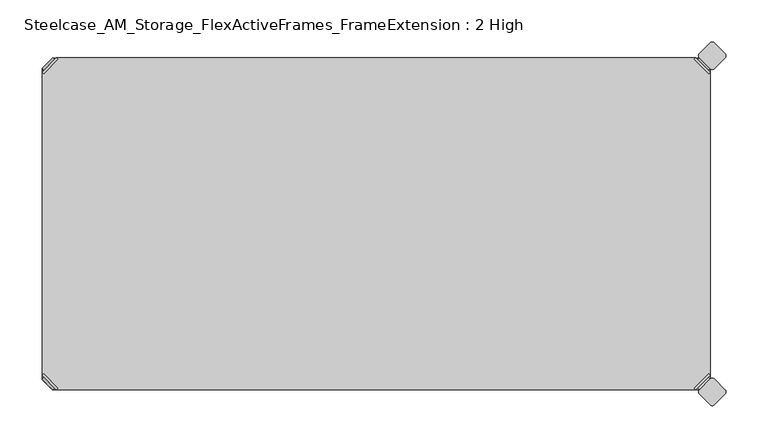
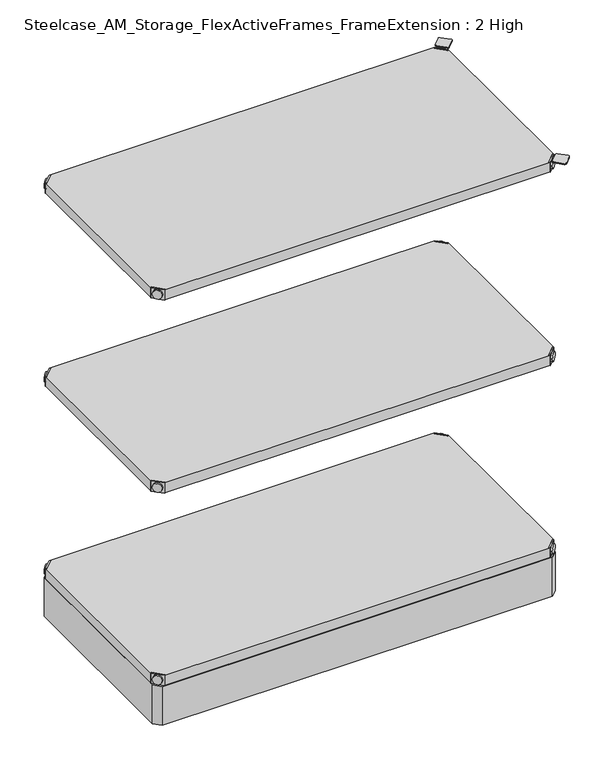
"""IFC4 building model written with IfcOpenShell, lengths in millimetres: furniture geometry, Steelcase_AM_Storage_FlexActiveFrames_FrameExtension : 2 High."""

from ifc_helpers import new_model, si_unit, point, frame, frame_2d, origin, place, context, project, spatial, polyline, circle_curve, trimmed, segment, composite_curve, outline, extrude, source, transform, mapped, element, save
from ifc_brep_helpers import plane_surface, cylinder_surface, advanced_brep


def steelcase_am_storage_flexactiveframes_frameextension_2_high_1ae15618(model_context):
    return source(origin(), model_context, "Body", "SolidModel", [
        advanced_brep(
        [(2.54, -380.2870969, 520.2936), (19.7629031, -397.51, 520.2936), (21.5589544, -395.7139488, 520.2936), (4.3360512, -378.4910456, 520.2936), (2.54, -380.2870969, 498.9576), (19.7629031, -397.51, 498.9576), (4.8652723, -382.6123691, 510.1336), (17.4376309, -395.1847277, 510.1336), (30.2920522, -352.5350447, 499.9736), (4.3360512, -378.4910456, 499.9736), (21.5589544, -395.7139488, 499.9736), (47.5149553, -369.7579478, 499.9736), (30.2920522, -352.5350447, 498.9576), (47.5149553, -369.7579478, 498.9576), (15.1227513, -397.4996073, 510.1336), (2.5503927, -384.9272487, 510.1336)],
        [
            (0, 1),
            (1, 2),
            (2, 3),
            (3, 0),
            (0, 4),
            (4, 5),
            (5, 1),
            (6, 7, circle_curve(frame((11.1514516, -388.8985484, 510.1336), z_axis=(0.7071067811865446, 0.7071067811865505, 0.0), x_axis=(-0.7071067811865505, 0.7071067811865446, 0.0)), 8.89)),
            (7, 6, circle_curve(frame((11.1514516, -388.8985484, 510.1336), z_axis=(0.7071067811865446, 0.7071067811865505, 0.0), x_axis=(-0.7071067811865505, 0.7071067811865446, 0.0)), 8.89)),
            (8, 9),
            (9, 10),
            (10, 11),
            (11, 8, circle_curve(frame((38.9035037, -361.1464963, 499.9736), z_axis=(0.0, 0.0, 1.0), x_axis=(1.0, 0.0, 0.0)), 12.1784316)),
            (12, 13, circle_curve(frame((38.9035037, -361.1464963, 498.9576), z_axis=(0.0, 0.0, -1.0), x_axis=(1.0, 0.0, 0.0)), 12.1784316)),
            (13, 5),
            (4, 12),
            (14, 15, circle_curve(frame((8.836572, -391.213428, 510.1336), z_axis=(-0.7071067811865446, -0.7071067811865505, 0.0), x_axis=(-0.7071067811865505, 0.7071067811865446, 0.0)), 8.89)),
            (15, 14, circle_curve(frame((8.836572, -391.213428, 510.1336), z_axis=(-0.7071067811865446, -0.7071067811865505, 0.0), x_axis=(-0.7071067811865505, 0.7071067811865446, 0.0)), 8.89)),
            (15, 6),
            (7, 14),
            (2, 10),
            (9, 3),
            (11, 13),
            (12, 8),
        ],
        [
            plane_surface(frame((-19.6579872, -402.485084, 520.2936), z_axis=(0.0, 0.0, 1.0000000000000002), x_axis=(0.7071067811865436, 0.7071067811865516, 0.0))),
            plane_surface(frame((19.7629031, -397.51, 520.2936), z_axis=(-0.7071067811865447, -0.7071067811865503, 0.0), x_axis=(0.0, 0.0, -1.0))),
            plane_surface(frame((51.0819353, -361.1464963, 499.9736), z_axis=(0.0, 0.0, 1.0), x_axis=(0.0, -1.0, 0.0))),
            plane_surface(frame((51.0819353, -361.1464963, 498.9576), z_axis=(0.0, 0.0, -1.0), x_axis=(0.0, 1.0, 0.0))),
            plane_surface(frame((2.5503927, -384.9272487, 510.1336), z_axis=(-0.7071067811865446, -0.7071067811865505, 0.0), x_axis=(0.0, 0.0, 1.0))),
            cylinder_surface(frame((11.1514516, -388.8985484, 510.1336), z_axis=(-0.7071067811865446, -0.7071067811865505, 0.0), x_axis=(-0.7071067811865505, 0.7071067811865446, 0.0)), 8.89),
            plane_surface(frame((4.3360512, -378.4910456, 520.2936), z_axis=(0.7071067811865447, 0.7071067811865503, 0.0), x_axis=(0.0, 0.0, -1.0))),
            cylinder_surface(frame((38.9035037, -361.1464963, 498.9576), z_axis=(0.0, 0.0, 1.0), x_axis=(1.0, 0.0, 0.0)), 12.1784316),
            plane_surface(frame((2.54, -380.2870969, 520.2936), z_axis=(-0.7071067811865516, 0.7071067811865436, 0.0), x_axis=(0.0, 0.0, -1.0))),
            plane_surface(frame((21.5589544, -395.7139488, 520.2936), z_axis=(0.7071067811865513, -0.7071067811865437, 0.0), x_axis=(0.0, 0.0, -1.0))),
        ],
        [
            (0, [[1, 2, 3, 4]]),
            (1, [[5, 6, 7, -1], [8, 9]]),
            (2, [[10, 11, 12, 13]]),
            (3, [[14, 15, -6, 16]]),
            (4, [[17, 18]]),
            (5, [[19, -9, 20, -18]]),
            (5, [[-20, -8, -19, -17]]),
            (6, [[21, -11, 22, -3]]),
            (7, [[23, -14, 24, -13]]),
            (8, [[-22, -10, -24, -16, -5, -4]]),
            (9, [[-7, -15, -23, -12, -21, -2]]),
        ],
    ),
        advanced_brep(
        [(797.56, -380.2870969, 520.2936), (795.7639488, -378.4910456, 520.2936), (778.5410456, -395.7139488, 520.2936), (780.3370969, -397.51, 520.2936), (780.3370969, -397.51, 498.9576), (797.56, -380.2870969, 498.9576), (795.2347277, -382.6123691, 510.1336), (782.6623691, -395.1847277, 510.1336), (769.8079478, -352.5350447, 499.9736), (752.5850447, -369.7579478, 499.9736), (778.5410456, -395.7139488, 499.9736), (795.7639488, -378.4910456, 499.9736), (769.8079478, -352.5350447, 498.9576), (752.5850447, -369.7579478, 498.9576), (784.9772487, -397.4996073, 510.1336), (797.5496073, -384.9272487, 510.1336)],
        [
            (0, 1),
            (1, 2),
            (2, 3),
            (3, 0),
            (3, 4),
            (4, 5),
            (5, 0),
            (6, 7, circle_curve(frame((788.9485484, -388.8985484, 510.1336), z_axis=(-0.7071067811865446, 0.7071067811865505, 0.0), x_axis=(0.7071067811865505, 0.7071067811865446, 0.0)), 8.89)),
            (7, 6, circle_curve(frame((788.9485484, -388.8985484, 510.1336), z_axis=(-0.7071067811865446, 0.7071067811865505, 0.0), x_axis=(0.7071067811865505, 0.7071067811865446, 0.0)), 8.89)),
            (8, 9, circle_curve(frame((761.1964963, -361.1464963, 499.9736), z_axis=(0.0, 0.0, 1.0), x_axis=(-1.0, 0.0, 0.0)), 12.1784316)),
            (9, 10),
            (10, 11),
            (11, 8),
            (12, 5),
            (4, 13),
            (13, 12, circle_curve(frame((761.1964963, -361.1464963, 498.9576), z_axis=(0.0, 0.0, -1.0), x_axis=(-1.0, 0.0, 0.0)), 12.1784316)),
            (14, 15, circle_curve(frame((791.263428, -391.213428, 510.1336), z_axis=(0.7071067811865446, -0.7071067811865505, 0.0), x_axis=(0.7071067811865505, 0.7071067811865446, 0.0)), 8.89)),
            (15, 14, circle_curve(frame((791.263428, -391.213428, 510.1336), z_axis=(0.7071067811865446, -0.7071067811865505, 0.0), x_axis=(0.7071067811865505, 0.7071067811865446, 0.0)), 8.89)),
            (14, 7),
            (6, 15),
            (1, 11),
            (10, 2),
            (8, 12),
            (13, 9),
        ],
        [
            plane_surface(frame((819.7579872, -402.485084, 520.2936), z_axis=(0.0, 0.0, 1.0000000000000002), x_axis=(-0.7071067811865436, 0.7071067811865516, 0.0))),
            plane_surface(frame((780.3370969, -397.51, 520.2936), z_axis=(0.7071067811865447, -0.7071067811865503, 0.0), x_axis=(0.0, 0.0, -1.0))),
            plane_surface(frame((749.0180647, -361.1464963, 499.9736), z_axis=(0.0, 0.0, 1.0), x_axis=(0.0, -1.0, 0.0))),
            plane_surface(frame((749.0180647, -361.1464963, 498.9576), z_axis=(0.0, 0.0, -1.0), x_axis=(0.0, 1.0, 0.0))),
            plane_surface(frame((797.5496073, -384.9272487, 510.1336), z_axis=(0.7071067811865446, -0.7071067811865505, 0.0), x_axis=(0.0, 0.0, 1.0))),
            cylinder_surface(frame((788.9485484, -388.8985484, 510.1336), z_axis=(0.7071067811865446, -0.7071067811865505, 0.0), x_axis=(0.7071067811865505, 0.7071067811865446, 0.0)), 8.89),
            plane_surface(frame((795.7639488, -378.4910456, 520.2936), z_axis=(-0.7071067811865447, 0.7071067811865503, 0.0), x_axis=(0.0, 0.0, -1.0))),
            cylinder_surface(frame((761.1964963, -361.1464963, 498.9576), z_axis=(0.0, 0.0, 1.0), x_axis=(-1.0, 0.0, 0.0)), 12.1784316),
            plane_surface(frame((797.56, -380.2870969, 520.2936), z_axis=(0.7071067811865516, 0.7071067811865436, 0.0), x_axis=(0.0, 0.0, -1.0))),
            plane_surface(frame((778.5410456, -395.7139488, 520.2936), z_axis=(-0.7071067811865513, -0.7071067811865437, 0.0), x_axis=(0.0, 0.0, -1.0))),
        ],
        [
            (0, [[1, 2, 3, 4]]),
            (1, [[-4, 5, 6, 7], [8, 9]]),
            (2, [[10, 11, 12, 13]]),
            (3, [[14, -6, 15, 16]]),
            (4, [[17, 18]]),
            (5, [[-17, 19, -8, 20]]),
            (5, [[-18, -20, -9, -19]]),
            (6, [[-2, 21, -12, 22]]),
            (7, [[-10, 23, -16, 24]]),
            (8, [[-1, -7, -14, -23, -13, -21]]),
            (9, [[-3, -22, -11, -24, -15, -5]]),
        ],
    ),
        advanced_brep(
        [(797.56, -19.7629031, 520.2936), (780.3370969, -2.54, 520.2936), (778.5410456, -4.3360512, 520.2936), (795.7639488, -21.5589544, 520.2936), (797.56, -19.7629031, 498.9576), (780.3370969, -2.54, 498.9576), (795.2347277, -17.4376309, 510.1336), (782.6623691, -4.8652723, 510.1336), (769.8079478, -47.5149553, 499.9736), (795.7639488, -21.5589544, 499.9736), (778.5410456, -4.3360512, 499.9736), (752.5850447, -30.2920522, 499.9736), (769.8079478, -47.5149553, 498.9576), (752.5850447, -30.2920522, 498.9576), (784.9772487, -2.5503927, 510.1336), (797.5496073, -15.1227513, 510.1336)],
        [
            (0, 1),
            (1, 2),
            (2, 3),
            (3, 0),
            (0, 4),
            (4, 5),
            (5, 1),
            (6, 7, circle_curve(frame((788.9485484, -11.1514516, 510.1336), z_axis=(-0.7071067811865469, -0.7071067811865481, 0.0), x_axis=(0.7071067811865481, -0.7071067811865469, 0.0)), 8.89)),
            (7, 6, circle_curve(frame((788.9485484, -11.1514516, 510.1336), z_axis=(-0.7071067811865469, -0.7071067811865481, 0.0), x_axis=(0.7071067811865481, -0.7071067811865469, 0.0)), 8.89)),
            (8, 9),
            (9, 10),
            (10, 11),
            (11, 8, circle_curve(frame((761.1964963, -38.9035037, 499.9736), z_axis=(0.0, 0.0, 1.0), x_axis=(-1.0, 0.0, 0.0)), 12.1784316)),
            (12, 13, circle_curve(frame((761.1964963, -38.9035037, 498.9576), z_axis=(0.0, 0.0, -1.0), x_axis=(-1.0, 0.0, 0.0)), 12.1784316)),
            (13, 5),
            (4, 12),
            (14, 15, circle_curve(frame((791.263428, -8.836572, 510.1336), z_axis=(0.7071067811865469, 0.7071067811865481, 0.0), x_axis=(0.7071067811865481, -0.7071067811865469, 0.0)), 8.89)),
            (15, 14, circle_curve(frame((791.263428, -8.836572, 510.1336), z_axis=(0.7071067811865469, 0.7071067811865481, 0.0), x_axis=(0.7071067811865481, -0.7071067811865469, 0.0)), 8.89)),
            (15, 6),
            (7, 14),
            (2, 10),
            (9, 3),
            (11, 13),
            (12, 8),
        ],
        [
            plane_surface(frame((819.7579872, 2.435084, 520.2936), z_axis=(0.0, 0.0, 1.0000000000000002), x_axis=(-0.7071067811865459, -0.7071067811865492, 0.0))),
            plane_surface(frame((780.3370969, -2.54, 520.2936), z_axis=(0.707106781186547, 0.707106781186548, 0.0), x_axis=(0.0, 0.0, -1.0))),
            plane_surface(frame((749.0180647, -38.9035037, 499.9736), z_axis=(0.0, 0.0, 1.0), x_axis=(0.0, 1.0, 0.0))),
            plane_surface(frame((749.0180647, -38.9035037, 498.9576), z_axis=(0.0, 0.0, -1.0), x_axis=(0.0, -1.0, 0.0))),
            plane_surface(frame((797.5496073, -15.1227513, 510.1336), z_axis=(0.7071067811865469, 0.7071067811865481, 0.0), x_axis=(0.0, 0.0, 1.0))),
            cylinder_surface(frame((788.9485484, -11.1514516, 510.1336), z_axis=(0.7071067811865469, 0.7071067811865481, 0.0), x_axis=(0.7071067811865481, -0.7071067811865469, 0.0)), 8.89),
            plane_surface(frame((795.7639488, -21.5589544, 520.2936), z_axis=(-0.707106781186547, -0.707106781186548, 0.0), x_axis=(0.0, 0.0, -1.0))),
            cylinder_surface(frame((761.1964963, -38.9035037, 498.9576), z_axis=(0.0, 0.0, 1.0), x_axis=(-1.0, 0.0, 0.0)), 12.1784316),
            plane_surface(frame((797.56, -19.7629031, 520.2936), z_axis=(0.7071067811865492, -0.7071067811865459, 0.0), x_axis=(0.0, 0.0, -1.0))),
            plane_surface(frame((778.5410456, -4.3360512, 520.2936), z_axis=(-0.707106781186549, 0.707106781186546, 0.0), x_axis=(0.0, 0.0, -1.0))),
        ],
        [
            (0, [[1, 2, 3, 4]]),
            (1, [[5, 6, 7, -1], [8, 9]]),
            (2, [[10, 11, 12, 13]]),
            (3, [[14, 15, -6, 16]]),
            (4, [[17, 18]]),
            (5, [[19, -9, 20, -18]]),
            (5, [[-20, -8, -19, -17]]),
            (6, [[21, -11, 22, -3]]),
            (7, [[23, -14, 24, -13]]),
            (8, [[-22, -10, -24, -16, -5, -4]]),
            (9, [[-7, -15, -23, -12, -21, -2]]),
        ],
    ),
        advanced_brep(
        [(2.54, -19.7629031, 520.2936), (4.3360512, -21.5589544, 520.2936), (21.5589544, -4.3360512, 520.2936), (19.7629031, -2.54, 520.2936), (19.7629031, -2.54, 498.9576), (2.54, -19.7629031, 498.9576), (4.8652723, -17.4376309, 510.1336), (17.4376309, -4.8652723, 510.1336), (30.2920522, -47.5149553, 499.9736), (47.5149553, -30.2920522, 499.9736), (21.5589544, -4.3360512, 499.9736), (4.3360512, -21.5589544, 499.9736), (30.2920522, -47.5149553, 498.9576), (47.5149553, -30.2920522, 498.9576), (15.1227513, -2.5503927, 510.1336), (2.5503927, -15.1227513, 510.1336)],
        [
            (0, 1),
            (1, 2),
            (2, 3),
            (3, 0),
            (3, 4),
            (4, 5),
            (5, 0),
            (6, 7, circle_curve(frame((11.1514516, -11.1514516, 510.1336), z_axis=(0.7071067811865469, -0.7071067811865481, 0.0), x_axis=(-0.7071067811865481, -0.7071067811865469, 0.0)), 8.89)),
            (7, 6, circle_curve(frame((11.1514516, -11.1514516, 510.1336), z_axis=(0.7071067811865469, -0.7071067811865481, 0.0), x_axis=(-0.7071067811865481, -0.7071067811865469, 0.0)), 8.89)),
            (8, 9, circle_curve(frame((38.9035037, -38.9035037, 499.9736), z_axis=(0.0, 0.0, 1.0), x_axis=(1.0, 0.0, 0.0)), 12.1784316)),
            (9, 10),
            (10, 11),
            (11, 8),
            (12, 5),
            (4, 13),
            (13, 12, circle_curve(frame((38.9035037, -38.9035037, 498.9576), z_axis=(0.0, 0.0, -1.0), x_axis=(1.0, 0.0, 0.0)), 12.1784316)),
            (14, 15, circle_curve(frame((8.836572, -8.836572, 510.1336), z_axis=(-0.7071067811865469, 0.7071067811865481, 0.0), x_axis=(-0.7071067811865481, -0.7071067811865469, 0.0)), 8.89)),
            (15, 14, circle_curve(frame((8.836572, -8.836572, 510.1336), z_axis=(-0.7071067811865469, 0.7071067811865481, 0.0), x_axis=(-0.7071067811865481, -0.7071067811865469, 0.0)), 8.89)),
            (14, 7),
            (6, 15),
            (1, 11),
            (10, 2),
            (8, 12),
            (13, 9),
        ],
        [
            plane_surface(frame((-19.6579872, 2.435084, 520.2936), z_axis=(0.0, 0.0, 1.0000000000000002), x_axis=(0.7071067811865459, -0.7071067811865492, 0.0))),
            plane_surface(frame((19.7629031, -2.54, 520.2936), z_axis=(-0.707106781186547, 0.707106781186548, 0.0), x_axis=(0.0, 0.0, -1.0))),
            plane_surface(frame((51.0819353, -38.9035037, 499.9736), z_axis=(0.0, 0.0, 1.0), x_axis=(0.0, 1.0, 0.0))),
            plane_surface(frame((51.0819353, -38.9035037, 498.9576), z_axis=(0.0, 0.0, -1.0), x_axis=(0.0, -1.0, 0.0))),
            plane_surface(frame((2.5503927, -15.1227513, 510.1336), z_axis=(-0.7071067811865469, 0.7071067811865481, 0.0), x_axis=(0.0, 0.0, 1.0))),
            cylinder_surface(frame((11.1514516, -11.1514516, 510.1336), z_axis=(-0.7071067811865469, 0.7071067811865481, 0.0), x_axis=(-0.7071067811865481, -0.7071067811865469, 0.0)), 8.89),
            plane_surface(frame((4.3360512, -21.5589544, 520.2936), z_axis=(0.707106781186547, -0.707106781186548, 0.0), x_axis=(0.0, 0.0, -1.0))),
            cylinder_surface(frame((38.9035037, -38.9035037, 498.9576), z_axis=(0.0, 0.0, 1.0), x_axis=(1.0, 0.0, 0.0)), 12.1784316),
            plane_surface(frame((2.54, -19.7629031, 520.2936), z_axis=(-0.7071067811865492, -0.7071067811865459, 0.0), x_axis=(0.0, 0.0, -1.0))),
            plane_surface(frame((21.5589544, -4.3360512, 520.2936), z_axis=(0.707106781186549, 0.707106781186546, 0.0), x_axis=(0.0, 0.0, -1.0))),
        ],
        [
            (0, [[1, 2, 3, 4]]),
            (1, [[-4, 5, 6, 7], [8, 9]]),
            (2, [[10, 11, 12, 13]]),
            (3, [[14, -6, 15, 16]]),
            (4, [[17, 18]]),
            (5, [[-17, 19, -8, 20]]),
            (5, [[-18, -20, -9, -19]]),
            (6, [[-2, 21, -12, 22]]),
            (7, [[-10, 23, -16, 24]]),
            (8, [[-1, -7, -14, -23, -13, -21]]),
            (9, [[-3, -22, -11, -24, -15, -5]]),
        ],
    ),
        extrude(outline(polyline([(19.7629031, -2.54), (780.3370969, -2.54), (778.5410456, -4.3360512), (795.7639488, -21.5589544), (797.56, -19.7629031), (797.56, -380.2870969), (795.7639488, -378.4910456), (778.5410456, -395.7139488), (780.3370969, -397.51), (19.7629031, -397.51), (21.5589544, -395.7139488), (4.3360512, -378.4910456), (2.54, -380.2870969), (2.54, -19.7629031), (4.3360512, -21.5589544), (21.5589544, -4.3360512), (19.7629031, -2.54)])), frame((0.0, 0.0, 499.9736), z_axis=(0.0, 0.0, 1.0), x_axis=(1.0, 0.0, 0.0)), (0.0, 0.0, 1.0), 20.32),
        advanced_brep(
        [(2.54, -380.2870969, 923.29), (19.7629031, -397.51, 923.29), (21.5589544, -395.7139488, 923.29), (4.3360512, -378.4910456, 923.29), (2.54, -380.2870969, 901.954), (19.7629031, -397.51, 901.954), (4.8652723, -382.6123691, 913.13), (17.4376309, -395.1847277, 913.13), (30.2920522, -352.5350447, 902.97), (4.3360512, -378.4910456, 902.97), (21.5589544, -395.7139488, 902.97), (47.5149553, -369.7579478, 902.97), (30.2920522, -352.5350447, 901.954), (47.5149553, -369.7579478, 901.954), (15.1227513, -397.4996073, 913.13), (2.5503927, -384.9272487, 913.13)],
        [
            (0, 1),
            (1, 2),
            (2, 3),
            (3, 0),
            (0, 4),
            (4, 5),
            (5, 1),
            (6, 7, circle_curve(frame((11.1514516, -388.8985484, 913.13), z_axis=(0.7071067811865446, 0.7071067811865505, 0.0), x_axis=(-0.7071067811865505, 0.7071067811865446, 0.0)), 8.89)),
            (7, 6, circle_curve(frame((11.1514516, -388.8985484, 913.13), z_axis=(0.7071067811865446, 0.7071067811865505, 0.0), x_axis=(-0.7071067811865505, 0.7071067811865446, 0.0)), 8.89)),
            (8, 9),
            (9, 10),
            (10, 11),
            (11, 8, circle_curve(frame((38.9035037, -361.1464963, 902.97), z_axis=(0.0, 0.0, 1.0), x_axis=(1.0, 0.0, 0.0)), 12.1784316)),
            (12, 13, circle_curve(frame((38.9035037, -361.1464963, 901.954), z_axis=(0.0, 0.0, -1.0), x_axis=(1.0, 0.0, 0.0)), 12.1784316)),
            (13, 5),
            (4, 12),
            (14, 15, circle_curve(frame((8.836572, -391.213428, 913.13), z_axis=(-0.7071067811865446, -0.7071067811865505, 0.0), x_axis=(-0.7071067811865505, 0.7071067811865446, 0.0)), 8.89)),
            (15, 14, circle_curve(frame((8.836572, -391.213428, 913.13), z_axis=(-0.7071067811865446, -0.7071067811865505, 0.0), x_axis=(-0.7071067811865505, 0.7071067811865446, 0.0)), 8.89)),
            (15, 6),
            (7, 14),
            (2, 10),
            (9, 3),
            (11, 13),
            (12, 8),
        ],
        [
            plane_surface(frame((-19.6579872, -402.485084, 923.29), z_axis=(0.0, 0.0, 1.0000000000000002), x_axis=(0.7071067811865436, 0.7071067811865516, 0.0))),
            plane_surface(frame((19.7629031, -397.51, 923.29), z_axis=(-0.7071067811865447, -0.7071067811865503, 0.0), x_axis=(0.0, 0.0, -1.0))),
            plane_surface(frame((51.0819353, -361.1464963, 902.97), z_axis=(0.0, 0.0, 1.0), x_axis=(0.0, -1.0, 0.0))),
            plane_surface(frame((51.0819353, -361.1464963, 901.954), z_axis=(0.0, 0.0, -1.0), x_axis=(0.0, 1.0, 0.0))),
            plane_surface(frame((2.5503927, -384.9272487, 913.13), z_axis=(-0.7071067811865446, -0.7071067811865505, 0.0), x_axis=(0.0, 0.0, 1.0))),
            cylinder_surface(frame((11.1514516, -388.8985484, 913.13), z_axis=(-0.7071067811865446, -0.7071067811865505, 0.0), x_axis=(-0.7071067811865505, 0.7071067811865446, 0.0)), 8.89),
            plane_surface(frame((4.3360512, -378.4910456, 923.29), z_axis=(0.7071067811865447, 0.7071067811865503, 0.0), x_axis=(0.0, 0.0, -1.0))),
            cylinder_surface(frame((38.9035037, -361.1464963, 901.954), z_axis=(0.0, 0.0, 1.0), x_axis=(1.0, 0.0, 0.0)), 12.1784316),
            plane_surface(frame((2.54, -380.2870969, 923.29), z_axis=(-0.7071067811865516, 0.7071067811865436, 0.0), x_axis=(0.0, 0.0, -1.0))),
            plane_surface(frame((21.5589544, -395.7139488, 923.29), z_axis=(0.7071067811865513, -0.7071067811865437, 0.0), x_axis=(0.0, 0.0, -1.0))),
        ],
        [
            (0, [[1, 2, 3, 4]]),
            (1, [[5, 6, 7, -1], [8, 9]]),
            (2, [[10, 11, 12, 13]]),
            (3, [[14, 15, -6, 16]]),
            (4, [[17, 18]]),
            (5, [[19, -9, 20, -18]]),
            (5, [[-20, -8, -19, -17]]),
            (6, [[21, -11, 22, -3]]),
            (7, [[23, -14, 24, -13]]),
            (8, [[-22, -10, -24, -16, -5, -4]]),
            (9, [[-7, -15, -23, -12, -21, -2]]),
        ],
    ),
        advanced_brep(
        [(797.56, -380.2870969, 923.29), (795.7639488, -378.4910456, 923.29), (778.5410456, -395.7139488, 923.29), (780.3370969, -397.51, 923.29), (780.3370969, -397.51, 901.954), (797.56, -380.2870969, 901.954), (795.2347277, -382.6123691, 913.13), (782.6623691, -395.1847277, 913.13), (769.8079478, -352.5350447, 902.97), (752.5850447, -369.7579478, 902.97), (778.5410456, -395.7139488, 902.97), (795.7639488, -378.4910456, 902.97), (769.8079478, -352.5350447, 901.954), (752.5850447, -369.7579478, 901.954), (784.9772487, -397.4996073, 913.13), (797.5496073, -384.9272487, 913.13)],
        [
            (0, 1),
            (1, 2),
            (2, 3),
            (3, 0),
            (3, 4),
            (4, 5),
            (5, 0),
            (6, 7, circle_curve(frame((788.9485484, -388.8985484, 913.13), z_axis=(-0.7071067811865446, 0.7071067811865505, 0.0), x_axis=(0.7071067811865505, 0.7071067811865446, 0.0)), 8.89)),
            (7, 6, circle_curve(frame((788.9485484, -388.8985484, 913.13), z_axis=(-0.7071067811865446, 0.7071067811865505, 0.0), x_axis=(0.7071067811865505, 0.7071067811865446, 0.0)), 8.89)),
            (8, 9, circle_curve(frame((761.1964963, -361.1464963, 902.97), z_axis=(0.0, 0.0, 1.0), x_axis=(-1.0, 0.0, 0.0)), 12.1784316)),
            (9, 10),
            (10, 11),
            (11, 8),
            (12, 5),
            (4, 13),
            (13, 12, circle_curve(frame((761.1964963, -361.1464963, 901.954), z_axis=(0.0, 0.0, -1.0), x_axis=(-1.0, 0.0, 0.0)), 12.1784316)),
            (14, 15, circle_curve(frame((791.263428, -391.213428, 913.13), z_axis=(0.7071067811865446, -0.7071067811865505, 0.0), x_axis=(0.7071067811865505, 0.7071067811865446, 0.0)), 8.89)),
            (15, 14, circle_curve(frame((791.263428, -391.213428, 913.13), z_axis=(0.7071067811865446, -0.7071067811865505, 0.0), x_axis=(0.7071067811865505, 0.7071067811865446, 0.0)), 8.89)),
            (14, 7),
            (6, 15),
            (1, 11),
            (10, 2),
            (8, 12),
            (13, 9),
        ],
        [
            plane_surface(frame((819.7579872, -402.485084, 923.29), z_axis=(0.0, 0.0, 1.0000000000000002), x_axis=(-0.7071067811865436, 0.7071067811865516, 0.0))),
            plane_surface(frame((780.3370969, -397.51, 923.29), z_axis=(0.7071067811865447, -0.7071067811865503, 0.0), x_axis=(0.0, 0.0, -1.0))),
            plane_surface(frame((749.0180647, -361.1464963, 902.97), z_axis=(0.0, 0.0, 1.0), x_axis=(0.0, -1.0, 0.0))),
            plane_surface(frame((749.0180647, -361.1464963, 901.954), z_axis=(0.0, 0.0, -1.0), x_axis=(0.0, 1.0, 0.0))),
            plane_surface(frame((797.5496073, -384.9272487, 913.13), z_axis=(0.7071067811865446, -0.7071067811865505, 0.0), x_axis=(0.0, 0.0, 1.0))),
            cylinder_surface(frame((788.9485484, -388.8985484, 913.13), z_axis=(0.7071067811865446, -0.7071067811865505, 0.0), x_axis=(0.7071067811865505, 0.7071067811865446, 0.0)), 8.89),
            plane_surface(frame((795.7639488, -378.4910456, 923.29), z_axis=(-0.7071067811865447, 0.7071067811865503, 0.0), x_axis=(0.0, 0.0, -1.0))),
            cylinder_surface(frame((761.1964963, -361.1464963, 901.954), z_axis=(0.0, 0.0, 1.0), x_axis=(-1.0, 0.0, 0.0)), 12.1784316),
            plane_surface(frame((797.56, -380.2870969, 923.29), z_axis=(0.7071067811865516, 0.7071067811865436, 0.0), x_axis=(0.0, 0.0, -1.0))),
            plane_surface(frame((778.5410456, -395.7139488, 923.29), z_axis=(-0.7071067811865513, -0.7071067811865437, 0.0), x_axis=(0.0, 0.0, -1.0))),
        ],
        [
            (0, [[1, 2, 3, 4]]),
            (1, [[-4, 5, 6, 7], [8, 9]]),
            (2, [[10, 11, 12, 13]]),
            (3, [[14, -6, 15, 16]]),
            (4, [[17, 18]]),
            (5, [[-17, 19, -8, 20]]),
            (5, [[-18, -20, -9, -19]]),
            (6, [[-2, 21, -12, 22]]),
            (7, [[-10, 23, -16, 24]]),
            (8, [[-1, -7, -14, -23, -13, -21]]),
            (9, [[-3, -22, -11, -24, -15, -5]]),
        ],
    ),
        advanced_brep(
        [(797.56, -19.7629031, 923.29), (780.3370969, -2.54, 923.29), (778.5410456, -4.3360512, 923.29), (795.7639488, -21.5589544, 923.29), (797.56, -19.7629031, 901.954), (780.3370969, -2.54, 901.954), (795.2347277, -17.4376309, 913.13), (782.6623691, -4.8652723, 913.13), (769.8079478, -47.5149553, 902.97), (795.7639488, -21.5589544, 902.97), (778.5410456, -4.3360512, 902.97), (752.5850447, -30.2920522, 902.97), (769.8079478, -47.5149553, 901.954), (752.5850447, -30.2920522, 901.954), (784.9772487, -2.5503927, 913.13), (797.5496073, -15.1227513, 913.13)],
        [
            (0, 1),
            (1, 2),
            (2, 3),
            (3, 0),
            (0, 4),
            (4, 5),
            (5, 1),
            (6, 7, circle_curve(frame((788.9485484, -11.1514516, 913.13), z_axis=(-0.7071067811865469, -0.7071067811865481, 0.0), x_axis=(0.7071067811865481, -0.7071067811865469, 0.0)), 8.89)),
            (7, 6, circle_curve(frame((788.9485484, -11.1514516, 913.13), z_axis=(-0.7071067811865469, -0.7071067811865481, 0.0), x_axis=(0.7071067811865481, -0.7071067811865469, 0.0)), 8.89)),
            (8, 9),
            (9, 10),
            (10, 11),
            (11, 8, circle_curve(frame((761.1964963, -38.9035037, 902.97), z_axis=(0.0, 0.0, 1.0), x_axis=(-1.0, 0.0, 0.0)), 12.1784316)),
            (12, 13, circle_curve(frame((761.1964963, -38.9035037, 901.954), z_axis=(0.0, 0.0, -1.0), x_axis=(-1.0, 0.0, 0.0)), 12.1784316)),
            (13, 5),
            (4, 12),
            (14, 15, circle_curve(frame((791.263428, -8.836572, 913.13), z_axis=(0.7071067811865469, 0.7071067811865481, 0.0), x_axis=(0.7071067811865481, -0.7071067811865469, 0.0)), 8.89)),
            (15, 14, circle_curve(frame((791.263428, -8.836572, 913.13), z_axis=(0.7071067811865469, 0.7071067811865481, 0.0), x_axis=(0.7071067811865481, -0.7071067811865469, 0.0)), 8.89)),
            (15, 6),
            (7, 14),
            (2, 10),
            (9, 3),
            (11, 13),
            (12, 8),
        ],
        [
            plane_surface(frame((819.7579872, 2.435084, 923.29), z_axis=(0.0, 0.0, 1.0000000000000002), x_axis=(-0.7071067811865459, -0.7071067811865492, 0.0))),
            plane_surface(frame((780.3370969, -2.54, 923.29), z_axis=(0.707106781186547, 0.707106781186548, 0.0), x_axis=(0.0, 0.0, -1.0))),
            plane_surface(frame((749.0180647, -38.9035037, 902.97), z_axis=(0.0, 0.0, 1.0), x_axis=(0.0, 1.0, 0.0))),
            plane_surface(frame((749.0180647, -38.9035037, 901.954), z_axis=(0.0, 0.0, -1.0), x_axis=(0.0, -1.0, 0.0))),
            plane_surface(frame((797.5496073, -15.1227513, 913.13), z_axis=(0.7071067811865469, 0.7071067811865481, 0.0), x_axis=(0.0, 0.0, 1.0))),
            cylinder_surface(frame((788.9485484, -11.1514516, 913.13), z_axis=(0.7071067811865469, 0.7071067811865481, 0.0), x_axis=(0.7071067811865481, -0.7071067811865469, 0.0)), 8.89),
            plane_surface(frame((795.7639488, -21.5589544, 923.29), z_axis=(-0.707106781186547, -0.707106781186548, 0.0), x_axis=(0.0, 0.0, -1.0))),
            cylinder_surface(frame((761.1964963, -38.9035037, 901.954), z_axis=(0.0, 0.0, 1.0), x_axis=(-1.0, 0.0, 0.0)), 12.1784316),
            plane_surface(frame((797.56, -19.7629031, 923.29), z_axis=(0.7071067811865492, -0.7071067811865459, 0.0), x_axis=(0.0, 0.0, -1.0))),
            plane_surface(frame((778.5410456, -4.3360512, 923.29), z_axis=(-0.707106781186549, 0.707106781186546, 0.0), x_axis=(0.0, 0.0, -1.0))),
        ],
        [
            (0, [[1, 2, 3, 4]]),
            (1, [[5, 6, 7, -1], [8, 9]]),
            (2, [[10, 11, 12, 13]]),
            (3, [[14, 15, -6, 16]]),
            (4, [[17, 18]]),
            (5, [[19, -9, 20, -18]]),
            (5, [[-20, -8, -19, -17]]),
            (6, [[21, -11, 22, -3]]),
            (7, [[23, -14, 24, -13]]),
            (8, [[-22, -10, -24, -16, -5, -4]]),
            (9, [[-7, -15, -23, -12, -21, -2]]),
        ],
    ),
        advanced_brep(
        [(2.54, -19.7629031, 923.29), (4.3360512, -21.5589544, 923.29), (21.5589544, -4.3360512, 923.29), (19.7629031, -2.54, 923.29), (19.7629031, -2.54, 901.954), (2.54, -19.7629031, 901.954), (4.8652723, -17.4376309, 913.13), (17.4376309, -4.8652723, 913.13), (30.2920522, -47.5149553, 902.97), (47.5149553, -30.2920522, 902.97), (21.5589544, -4.3360512, 902.97), (4.3360512, -21.5589544, 902.97), (30.2920522, -47.5149553, 901.954), (47.5149553, -30.2920522, 901.954), (15.1227513, -2.5503927, 913.13), (2.5503927, -15.1227513, 913.13)],
        [
            (0, 1),
            (1, 2),
            (2, 3),
            (3, 0),
            (3, 4),
            (4, 5),
            (5, 0),
            (6, 7, circle_curve(frame((11.1514516, -11.1514516, 913.13), z_axis=(0.7071067811865469, -0.7071067811865481, 0.0), x_axis=(-0.7071067811865481, -0.7071067811865469, 0.0)), 8.89)),
            (7, 6, circle_curve(frame((11.1514516, -11.1514516, 913.13), z_axis=(0.7071067811865469, -0.7071067811865481, 0.0), x_axis=(-0.7071067811865481, -0.7071067811865469, 0.0)), 8.89)),
            (8, 9, circle_curve(frame((38.9035037, -38.9035037, 902.97), z_axis=(0.0, 0.0, 1.0), x_axis=(1.0, 0.0, 0.0)), 12.1784316)),
            (9, 10),
            (10, 11),
            (11, 8),
            (12, 5),
            (4, 13),
            (13, 12, circle_curve(frame((38.9035037, -38.9035037, 901.954), z_axis=(0.0, 0.0, -1.0), x_axis=(1.0, 0.0, 0.0)), 12.1784316)),
            (14, 15, circle_curve(frame((8.836572, -8.836572, 913.13), z_axis=(-0.7071067811865469, 0.7071067811865481, 0.0), x_axis=(-0.7071067811865481, -0.7071067811865469, 0.0)), 8.89)),
            (15, 14, circle_curve(frame((8.836572, -8.836572, 913.13), z_axis=(-0.7071067811865469, 0.7071067811865481, 0.0), x_axis=(-0.7071067811865481, -0.7071067811865469, 0.0)), 8.89)),
            (14, 7),
            (6, 15),
            (1, 11),
            (10, 2),
            (8, 12),
            (13, 9),
        ],
        [
            plane_surface(frame((-19.6579872, 2.435084, 923.29), z_axis=(0.0, 0.0, 1.0000000000000002), x_axis=(0.7071067811865459, -0.7071067811865492, 0.0))),
            plane_surface(frame((19.7629031, -2.54, 923.29), z_axis=(-0.707106781186547, 0.707106781186548, 0.0), x_axis=(0.0, 0.0, -1.0))),
            plane_surface(frame((51.0819353, -38.9035037, 902.97), z_axis=(0.0, 0.0, 1.0), x_axis=(0.0, 1.0, 0.0))),
            plane_surface(frame((51.0819353, -38.9035037, 901.954), z_axis=(0.0, 0.0, -1.0), x_axis=(0.0, -1.0, 0.0))),
            plane_surface(frame((2.5503927, -15.1227513, 913.13), z_axis=(-0.7071067811865469, 0.7071067811865481, 0.0), x_axis=(0.0, 0.0, 1.0))),
            cylinder_surface(frame((11.1514516, -11.1514516, 913.13), z_axis=(-0.7071067811865469, 0.7071067811865481, 0.0), x_axis=(-0.7071067811865481, -0.7071067811865469, 0.0)), 8.89),
            plane_surface(frame((4.3360512, -21.5589544, 923.29), z_axis=(0.707106781186547, -0.707106781186548, 0.0), x_axis=(0.0, 0.0, -1.0))),
            cylinder_surface(frame((38.9035037, -38.9035037, 901.954), z_axis=(0.0, 0.0, 1.0), x_axis=(1.0, 0.0, 0.0)), 12.1784316),
            plane_surface(frame((2.54, -19.7629031, 923.29), z_axis=(-0.7071067811865492, -0.7071067811865459, 0.0), x_axis=(0.0, 0.0, -1.0))),
            plane_surface(frame((21.5589544, -4.3360512, 923.29), z_axis=(0.707106781186549, 0.707106781186546, 0.0), x_axis=(0.0, 0.0, -1.0))),
        ],
        [
            (0, [[1, 2, 3, 4]]),
            (1, [[-4, 5, 6, 7], [8, 9]]),
            (2, [[10, 11, 12, 13]]),
            (3, [[14, -6, 15, 16]]),
            (4, [[17, 18]]),
            (5, [[-17, 19, -8, 20]]),
            (5, [[-18, -20, -9, -19]]),
            (6, [[-2, 21, -12, 22]]),
            (7, [[-10, 23, -16, 24]]),
            (8, [[-1, -7, -14, -23, -13, -21]]),
            (9, [[-3, -22, -11, -24, -15, -5]]),
        ],
    ),
        extrude(outline(polyline([(19.7629031, -2.54), (780.3370969, -2.54), (778.5410456, -4.3360512), (795.7639488, -21.5589544), (797.56, -19.7629031), (797.56, -380.2870969), (795.7639488, -378.4910456), (778.5410456, -395.7139488), (780.3370969, -397.51), (19.7629031, -397.51), (21.5589544, -395.7139488), (4.3360512, -378.4910456), (2.54, -380.2870969), (2.54, -19.7629031), (4.3360512, -21.5589544), (21.5589544, -4.3360512), (19.7629031, -2.54)])), frame((0.0, 0.0, 902.97), z_axis=(0.0, 0.0, 1.0), x_axis=(1.0, 0.0, 0.0)), (0.0, 0.0, 1.0), 20.32),
        advanced_brep(
        [(2.54, -380.2870969, 118.9736), (19.7629031, -397.51, 118.9736), (21.5589544, -395.7139488, 118.9736), (4.3360512, -378.4910456, 118.9736), (2.54, -380.2870969, 97.6376), (19.7629031, -397.51, 97.6376), (4.8652723, -382.6123691, 108.8136), (17.4376309, -395.1847277, 108.8136), (30.2920522, -352.5350447, 98.6536), (4.3360512, -378.4910456, 98.6536), (21.5589544, -395.7139488, 98.6536), (47.5149553, -369.7579478, 98.6536), (30.2920522, -352.5350447, 97.6376), (47.5149553, -369.7579478, 97.6376), (15.1227513, -397.4996073, 108.8136), (2.5503927, -384.9272487, 108.8136)],
        [
            (0, 1),
            (1, 2),
            (2, 3),
            (3, 0),
            (0, 4),
            (4, 5),
            (5, 1),
            (6, 7, circle_curve(frame((11.1514516, -388.8985484, 108.8136), z_axis=(0.7071067811865446, 0.7071067811865505, 0.0), x_axis=(-0.7071067811865505, 0.7071067811865446, 0.0)), 8.89)),
            (7, 6, circle_curve(frame((11.1514516, -388.8985484, 108.8136), z_axis=(0.7071067811865446, 0.7071067811865505, 0.0), x_axis=(-0.7071067811865505, 0.7071067811865446, 0.0)), 8.89)),
            (8, 9),
            (9, 10),
            (10, 11),
            (11, 8, circle_curve(frame((38.9035037, -361.1464963, 98.6536), z_axis=(0.0, 0.0, 1.0), x_axis=(1.0, 0.0, 0.0)), 12.1784316)),
            (12, 13, circle_curve(frame((38.9035037, -361.1464963, 97.6376), z_axis=(0.0, 0.0, -1.0), x_axis=(1.0, 0.0, 0.0)), 12.1784316)),
            (13, 5),
            (4, 12),
            (14, 15, circle_curve(frame((8.836572, -391.213428, 108.8136), z_axis=(-0.7071067811865446, -0.7071067811865505, 0.0), x_axis=(-0.7071067811865505, 0.7071067811865446, 0.0)), 8.89)),
            (15, 14, circle_curve(frame((8.836572, -391.213428, 108.8136), z_axis=(-0.7071067811865446, -0.7071067811865505, 0.0), x_axis=(-0.7071067811865505, 0.7071067811865446, 0.0)), 8.89)),
            (15, 6),
            (7, 14),
            (2, 10),
            (9, 3),
            (11, 13),
            (12, 8),
        ],
        [
            plane_surface(frame((-19.6579872, -402.485084, 118.9736), z_axis=(0.0, 0.0, 1.0000000000000002), x_axis=(0.7071067811865436, 0.7071067811865516, 0.0))),
            plane_surface(frame((19.7629031, -397.51, 118.9736), z_axis=(-0.7071067811865447, -0.7071067811865503, 0.0), x_axis=(0.0, 0.0, -1.0))),
            plane_surface(frame((51.0819353, -361.1464963, 98.6536), z_axis=(0.0, 0.0, 1.0), x_axis=(0.0, -1.0, 0.0))),
            plane_surface(frame((51.0819353, -361.1464963, 97.6376), z_axis=(0.0, 0.0, -1.0), x_axis=(0.0, 1.0, 0.0))),
            plane_surface(frame((2.5503927, -384.9272487, 108.8136), z_axis=(-0.7071067811865446, -0.7071067811865505, 0.0), x_axis=(0.0, 0.0, 1.0))),
            cylinder_surface(frame((11.1514516, -388.8985484, 108.8136), z_axis=(-0.7071067811865446, -0.7071067811865505, 0.0), x_axis=(-0.7071067811865505, 0.7071067811865446, 0.0)), 8.89),
            plane_surface(frame((4.3360512, -378.4910456, 118.9736), z_axis=(0.7071067811865447, 0.7071067811865503, 0.0), x_axis=(0.0, 0.0, -1.0))),
            cylinder_surface(frame((38.9035037, -361.1464963, 97.6376), z_axis=(0.0, 0.0, 1.0), x_axis=(1.0, 0.0, 0.0)), 12.1784316),
            plane_surface(frame((2.54, -380.2870969, 118.9736), z_axis=(-0.7071067811865516, 0.7071067811865436, 0.0), x_axis=(0.0, 0.0, -1.0))),
            plane_surface(frame((21.5589544, -395.7139488, 118.9736), z_axis=(0.7071067811865513, -0.7071067811865437, 0.0), x_axis=(0.0, 0.0, -1.0))),
        ],
        [
            (0, [[1, 2, 3, 4]]),
            (1, [[5, 6, 7, -1], [8, 9]]),
            (2, [[10, 11, 12, 13]]),
            (3, [[14, 15, -6, 16]]),
            (4, [[17, 18]]),
            (5, [[19, -9, 20, -18]]),
            (5, [[-20, -8, -19, -17]]),
            (6, [[21, -11, 22, -3]]),
            (7, [[23, -14, 24, -13]]),
            (8, [[-22, -10, -24, -16, -5, -4]]),
            (9, [[-7, -15, -23, -12, -21, -2]]),
        ],
    ),
        advanced_brep(
        [(797.56, -380.2870969, 118.9736), (795.7639488, -378.4910456, 118.9736), (778.5410456, -395.7139488, 118.9736), (780.3370969, -397.51, 118.9736), (780.3370969, -397.51, 97.6376), (797.56, -380.2870969, 97.6376), (795.2347277, -382.6123691, 108.8136), (782.6623691, -395.1847277, 108.8136), (769.8079478, -352.5350447, 98.6536), (752.5850447, -369.7579478, 98.6536), (778.5410456, -395.7139488, 98.6536), (795.7639488, -378.4910456, 98.6536), (769.8079478, -352.5350447, 97.6376), (752.5850447, -369.7579478, 97.6376), (784.9772487, -397.4996073, 108.8136), (797.5496073, -384.9272487, 108.8136)],
        [
            (0, 1),
            (1, 2),
            (2, 3),
            (3, 0),
            (3, 4),
            (4, 5),
            (5, 0),
            (6, 7, circle_curve(frame((788.9485484, -388.8985484, 108.8136), z_axis=(-0.7071067811865446, 0.7071067811865505, 0.0), x_axis=(0.7071067811865505, 0.7071067811865446, 0.0)), 8.89)),
            (7, 6, circle_curve(frame((788.9485484, -388.8985484, 108.8136), z_axis=(-0.7071067811865446, 0.7071067811865505, 0.0), x_axis=(0.7071067811865505, 0.7071067811865446, 0.0)), 8.89)),
            (8, 9, circle_curve(frame((761.1964963, -361.1464963, 98.6536), z_axis=(0.0, 0.0, 1.0), x_axis=(-1.0, 0.0, 0.0)), 12.1784316)),
            (9, 10),
            (10, 11),
            (11, 8),
            (12, 5),
            (4, 13),
            (13, 12, circle_curve(frame((761.1964963, -361.1464963, 97.6376), z_axis=(0.0, 0.0, -1.0), x_axis=(-1.0, 0.0, 0.0)), 12.1784316)),
            (14, 15, circle_curve(frame((791.263428, -391.213428, 108.8136), z_axis=(0.7071067811865446, -0.7071067811865505, 0.0), x_axis=(0.7071067811865505, 0.7071067811865446, 0.0)), 8.89)),
            (15, 14, circle_curve(frame((791.263428, -391.213428, 108.8136), z_axis=(0.7071067811865446, -0.7071067811865505, 0.0), x_axis=(0.7071067811865505, 0.7071067811865446, 0.0)), 8.89)),
            (14, 7),
            (6, 15),
            (1, 11),
            (10, 2),
            (8, 12),
            (13, 9),
        ],
        [
            plane_surface(frame((819.7579872, -402.485084, 118.9736), z_axis=(0.0, 0.0, 1.0000000000000002), x_axis=(-0.7071067811865436, 0.7071067811865516, 0.0))),
            plane_surface(frame((780.3370969, -397.51, 118.9736), z_axis=(0.7071067811865447, -0.7071067811865503, 0.0), x_axis=(0.0, 0.0, -1.0))),
            plane_surface(frame((749.0180647, -361.1464963, 98.6536), z_axis=(0.0, 0.0, 1.0), x_axis=(0.0, -1.0, 0.0))),
            plane_surface(frame((749.0180647, -361.1464963, 97.6376), z_axis=(0.0, 0.0, -1.0), x_axis=(0.0, 1.0, 0.0))),
            plane_surface(frame((797.5496073, -384.9272487, 108.8136), z_axis=(0.7071067811865446, -0.7071067811865505, 0.0), x_axis=(0.0, 0.0, 1.0))),
            cylinder_surface(frame((788.9485484, -388.8985484, 108.8136), z_axis=(0.7071067811865446, -0.7071067811865505, 0.0), x_axis=(0.7071067811865505, 0.7071067811865446, 0.0)), 8.89),
            plane_surface(frame((795.7639488, -378.4910456, 118.9736), z_axis=(-0.7071067811865447, 0.7071067811865503, 0.0), x_axis=(0.0, 0.0, -1.0))),
            cylinder_surface(frame((761.1964963, -361.1464963, 97.6376), z_axis=(0.0, 0.0, 1.0), x_axis=(-1.0, 0.0, 0.0)), 12.1784316),
            plane_surface(frame((797.56, -380.2870969, 118.9736), z_axis=(0.7071067811865516, 0.7071067811865436, 0.0), x_axis=(0.0, 0.0, -1.0))),
            plane_surface(frame((778.5410456, -395.7139488, 118.9736), z_axis=(-0.7071067811865513, -0.7071067811865437, 0.0), x_axis=(0.0, 0.0, -1.0))),
        ],
        [
            (0, [[1, 2, 3, 4]]),
            (1, [[-4, 5, 6, 7], [8, 9]]),
            (2, [[10, 11, 12, 13]]),
            (3, [[14, -6, 15, 16]]),
            (4, [[17, 18]]),
            (5, [[-17, 19, -8, 20]]),
            (5, [[-18, -20, -9, -19]]),
            (6, [[-2, 21, -12, 22]]),
            (7, [[-10, 23, -16, 24]]),
            (8, [[-1, -7, -14, -23, -13, -21]]),
            (9, [[-3, -22, -11, -24, -15, -5]]),
        ],
    ),
        advanced_brep(
        [(797.56, -19.7629031, 118.9736), (780.3370969, -2.54, 118.9736), (778.5410456, -4.3360512, 118.9736), (795.7639488, -21.5589544, 118.9736), (797.56, -19.7629031, 97.6376), (780.3370969, -2.54, 97.6376), (795.2347277, -17.4376309, 108.8136), (782.6623691, -4.8652723, 108.8136), (769.8079478, -47.5149553, 98.6536), (795.7639488, -21.5589544, 98.6536), (778.5410456, -4.3360512, 98.6536), (752.5850447, -30.2920522, 98.6536), (769.8079478, -47.5149553, 97.6376), (752.5850447, -30.2920522, 97.6376), (784.9772487, -2.5503927, 108.8136), (797.5496073, -15.1227513, 108.8136)],
        [
            (0, 1),
            (1, 2),
            (2, 3),
            (3, 0),
            (0, 4),
            (4, 5),
            (5, 1),
            (6, 7, circle_curve(frame((788.9485484, -11.1514516, 108.8136), z_axis=(-0.7071067811865469, -0.7071067811865481, 0.0), x_axis=(0.7071067811865481, -0.7071067811865469, 0.0)), 8.89)),
            (7, 6, circle_curve(frame((788.9485484, -11.1514516, 108.8136), z_axis=(-0.7071067811865469, -0.7071067811865481, 0.0), x_axis=(0.7071067811865481, -0.7071067811865469, 0.0)), 8.89)),
            (8, 9),
            (9, 10),
            (10, 11),
            (11, 8, circle_curve(frame((761.1964963, -38.9035037, 98.6536), z_axis=(0.0, 0.0, 1.0), x_axis=(-1.0, 0.0, 0.0)), 12.1784316)),
            (12, 13, circle_curve(frame((761.1964963, -38.9035037, 97.6376), z_axis=(0.0, 0.0, -1.0), x_axis=(-1.0, 0.0, 0.0)), 12.1784316)),
            (13, 5),
            (4, 12),
            (14, 15, circle_curve(frame((791.263428, -8.836572, 108.8136), z_axis=(0.7071067811865469, 0.7071067811865481, 0.0), x_axis=(0.7071067811865481, -0.7071067811865469, 0.0)), 8.89)),
            (15, 14, circle_curve(frame((791.263428, -8.836572, 108.8136), z_axis=(0.7071067811865469, 0.7071067811865481, 0.0), x_axis=(0.7071067811865481, -0.7071067811865469, 0.0)), 8.89)),
            (15, 6),
            (7, 14),
            (2, 10),
            (9, 3),
            (11, 13),
            (12, 8),
        ],
        [
            plane_surface(frame((819.7579872, 2.435084, 118.9736), z_axis=(0.0, 0.0, 1.0000000000000002), x_axis=(-0.7071067811865459, -0.7071067811865492, 0.0))),
            plane_surface(frame((780.3370969, -2.54, 118.9736), z_axis=(0.707106781186547, 0.707106781186548, 0.0), x_axis=(0.0, 0.0, -1.0))),
            plane_surface(frame((749.0180647, -38.9035037, 98.6536), z_axis=(0.0, 0.0, 1.0), x_axis=(0.0, 1.0, 0.0))),
            plane_surface(frame((749.0180647, -38.9035037, 97.6376), z_axis=(0.0, 0.0, -1.0), x_axis=(0.0, -1.0, 0.0))),
            plane_surface(frame((797.5496073, -15.1227513, 108.8136), z_axis=(0.7071067811865469, 0.7071067811865481, 0.0), x_axis=(0.0, 0.0, 1.0))),
            cylinder_surface(frame((788.9485484, -11.1514516, 108.8136), z_axis=(0.7071067811865469, 0.7071067811865481, 0.0), x_axis=(0.7071067811865481, -0.7071067811865469, 0.0)), 8.89),
            plane_surface(frame((795.7639488, -21.5589544, 118.9736), z_axis=(-0.707106781186547, -0.707106781186548, 0.0), x_axis=(0.0, 0.0, -1.0))),
            cylinder_surface(frame((761.1964963, -38.9035037, 97.6376), z_axis=(0.0, 0.0, 1.0), x_axis=(-1.0, 0.0, 0.0)), 12.1784316),
            plane_surface(frame((797.56, -19.7629031, 118.9736), z_axis=(0.7071067811865492, -0.7071067811865459, 0.0), x_axis=(0.0, 0.0, -1.0))),
            plane_surface(frame((778.5410456, -4.3360512, 118.9736), z_axis=(-0.707106781186549, 0.707106781186546, 0.0), x_axis=(0.0, 0.0, -1.0))),
        ],
        [
            (0, [[1, 2, 3, 4]]),
            (1, [[5, 6, 7, -1], [8, 9]]),
            (2, [[10, 11, 12, 13]]),
            (3, [[14, 15, -6, 16]]),
            (4, [[17, 18]]),
            (5, [[19, -9, 20, -18]]),
            (5, [[-20, -8, -19, -17]]),
            (6, [[21, -11, 22, -3]]),
            (7, [[23, -14, 24, -13]]),
            (8, [[-22, -10, -24, -16, -5, -4]]),
            (9, [[-7, -15, -23, -12, -21, -2]]),
        ],
    ),
        advanced_brep(
        [(2.54, -19.7629031, 118.9736), (4.3360512, -21.5589544, 118.9736), (21.5589544, -4.3360512, 118.9736), (19.7629031, -2.54, 118.9736), (19.7629031, -2.54, 97.6376), (2.54, -19.7629031, 97.6376), (4.8652723, -17.4376309, 108.8136), (17.4376309, -4.8652723, 108.8136), (30.2920522, -47.5149553, 98.6536), (47.5149553, -30.2920522, 98.6536), (21.5589544, -4.3360512, 98.6536), (4.3360512, -21.5589544, 98.6536), (30.2920522, -47.5149553, 97.6376), (47.5149553, -30.2920522, 97.6376), (15.1227513, -2.5503927, 108.8136), (2.5503927, -15.1227513, 108.8136)],
        [
            (0, 1),
            (1, 2),
            (2, 3),
            (3, 0),
            (3, 4),
            (4, 5),
            (5, 0),
            (6, 7, circle_curve(frame((11.1514516, -11.1514516, 108.8136), z_axis=(0.7071067811865469, -0.7071067811865481, 0.0), x_axis=(-0.7071067811865481, -0.7071067811865469, 0.0)), 8.89)),
            (7, 6, circle_curve(frame((11.1514516, -11.1514516, 108.8136), z_axis=(0.7071067811865469, -0.7071067811865481, 0.0), x_axis=(-0.7071067811865481, -0.7071067811865469, 0.0)), 8.89)),
            (8, 9, circle_curve(frame((38.9035037, -38.9035037, 98.6536), z_axis=(0.0, 0.0, 1.0), x_axis=(1.0, 0.0, 0.0)), 12.1784316)),
            (9, 10),
            (10, 11),
            (11, 8),
            (12, 5),
            (4, 13),
            (13, 12, circle_curve(frame((38.9035037, -38.9035037, 97.6376), z_axis=(0.0, 0.0, -1.0), x_axis=(1.0, 0.0, 0.0)), 12.1784316)),
            (14, 15, circle_curve(frame((8.836572, -8.836572, 108.8136), z_axis=(-0.7071067811865469, 0.7071067811865481, 0.0), x_axis=(-0.7071067811865481, -0.7071067811865469, 0.0)), 8.89)),
            (15, 14, circle_curve(frame((8.836572, -8.836572, 108.8136), z_axis=(-0.7071067811865469, 0.7071067811865481, 0.0), x_axis=(-0.7071067811865481, -0.7071067811865469, 0.0)), 8.89)),
            (14, 7),
            (6, 15),
            (1, 11),
            (10, 2),
            (8, 12),
            (13, 9),
        ],
        [
            plane_surface(frame((-19.6579872, 2.435084, 118.9736), z_axis=(0.0, 0.0, 1.0000000000000002), x_axis=(0.7071067811865459, -0.7071067811865492, 0.0))),
            plane_surface(frame((19.7629031, -2.54, 118.9736), z_axis=(-0.707106781186547, 0.707106781186548, 0.0), x_axis=(0.0, 0.0, -1.0))),
            plane_surface(frame((51.0819353, -38.9035037, 98.6536), z_axis=(0.0, 0.0, 1.0), x_axis=(0.0, 1.0, 0.0))),
            plane_surface(frame((51.0819353, -38.9035037, 97.6376), z_axis=(0.0, 0.0, -1.0), x_axis=(0.0, -1.0, 0.0))),
            plane_surface(frame((2.5503927, -15.1227513, 108.8136), z_axis=(-0.7071067811865469, 0.7071067811865481, 0.0), x_axis=(0.0, 0.0, 1.0))),
            cylinder_surface(frame((11.1514516, -11.1514516, 108.8136), z_axis=(-0.7071067811865469, 0.7071067811865481, 0.0), x_axis=(-0.7071067811865481, -0.7071067811865469, 0.0)), 8.89),
            plane_surface(frame((4.3360512, -21.5589544, 118.9736), z_axis=(0.707106781186547, -0.707106781186548, 0.0), x_axis=(0.0, 0.0, -1.0))),
            cylinder_surface(frame((38.9035037, -38.9035037, 97.6376), z_axis=(0.0, 0.0, 1.0), x_axis=(1.0, 0.0, 0.0)), 12.1784316),
            plane_surface(frame((2.54, -19.7629031, 118.9736), z_axis=(-0.7071067811865492, -0.7071067811865459, 0.0), x_axis=(0.0, 0.0, -1.0))),
            plane_surface(frame((21.5589544, -4.3360512, 118.9736), z_axis=(0.707106781186549, 0.707106781186546, 0.0), x_axis=(0.0, 0.0, -1.0))),
        ],
        [
            (0, [[1, 2, 3, 4]]),
            (1, [[-4, 5, 6, 7], [8, 9]]),
            (2, [[10, 11, 12, 13]]),
            (3, [[14, -6, 15, 16]]),
            (4, [[17, 18]]),
            (5, [[-17, 19, -8, 20]]),
            (5, [[-18, -20, -9, -19]]),
            (6, [[-2, 21, -12, 22]]),
            (7, [[-10, 23, -16, 24]]),
            (8, [[-1, -7, -14, -23, -13, -21]]),
            (9, [[-3, -22, -11, -24, -15, -5]]),
        ],
    ),
        extrude(outline(polyline([(19.7629031, -2.54), (780.3370969, -2.54), (778.5410456, -4.3360512), (795.7639488, -21.5589544), (797.56, -19.7629031), (797.56, -380.2870969), (795.7639488, -378.4910456), (778.5410456, -395.7139488), (780.3370969, -397.51), (19.7629031, -397.51), (21.5589544, -395.7139488), (4.3360512, -378.4910456), (2.54, -380.2870969), (2.54, -19.7629031), (4.3360512, -21.5589544), (21.5589544, -4.3360512), (19.7629031, -2.54)])), frame((0.0, 0.0, 98.6536), z_axis=(0.0, 0.0, 1.0), x_axis=(1.0, 0.0, 0.0)), (0.0, 0.0, 1.0), 20.32),
        extrude(outline(composite_curve([segment(trimmed(circle_curve(frame_2d((800.1, -13.1875415)), 3.175), [point((802.345064, -15.4326055))], [point((797.854936, -15.4326055))], False, "CARTESIAN"), True, "CONTINUOUS"), segment(polyline([(797.854936, -15.4326055), (784.6673945, -2.245064)]), True, "CONTINUOUS"), segment(trimmed(circle_curve(frame_2d((786.9124585, 0.0)), 3.175), [point((784.6673945, -2.245064))], [point((784.6673945, 2.245064))], False, "CARTESIAN"), True, "CONTINUOUS"), segment(polyline([(784.6673945, 2.245064), (797.854936, 15.4326055)]), True, "CONTINUOUS"), segment(trimmed(circle_curve(frame_2d((800.1, 13.1875415)), 3.175), [point((797.854936, 15.4326055))], [point((802.345064, 15.4326055))], False, "CARTESIAN"), True, "CONTINUOUS"), segment(polyline([(802.345064, 15.4326055), (815.5326055, 2.245064)]), True, "CONTINUOUS"), segment(trimmed(circle_curve(frame_2d((813.2875415, 0.0)), 3.175), [point((815.5326055, 2.245064))], [point((815.5326055, -2.245064))], False, "CARTESIAN"), True, "CONTINUOUS"), segment(polyline([(815.5326055, -2.245064), (802.345064, -15.4326055)]), True, "CONTINUOUS")], self_intersect=False)), frame((0.0, 0.0, 923.29), z_axis=(0.0, 0.0, 1.0), x_axis=(1.0, 0.0, 0.0)), (0.0, 0.0, 1.0), 2.032),
        extrude(outline(composite_curve([segment(polyline([(802.345064, -384.6173945), (815.5326055, -397.804936)]), True, "CONTINUOUS"), segment(trimmed(circle_curve(frame_2d((813.2875415, -400.05)), 3.175), [point((815.5326055, -397.804936))], [point((815.5326055, -402.295064))], False, "CARTESIAN"), True, "CONTINUOUS"), segment(polyline([(815.5326055, -402.295064), (802.345064, -415.4826055)]), True, "CONTINUOUS"), segment(trimmed(circle_curve(frame_2d((800.1, -413.2375415)), 3.175), [point((802.345064, -415.4826055))], [point((797.854936, -415.4826055))], False, "CARTESIAN"), True, "CONTINUOUS"), segment(polyline([(797.854936, -415.4826055), (784.6673945, -402.295064)]), True, "CONTINUOUS"), segment(trimmed(circle_curve(frame_2d((786.9124585, -400.05)), 3.175), [point((784.6673945, -402.295064))], [point((784.6673945, -397.804936))], False, "CARTESIAN"), True, "CONTINUOUS"), segment(polyline([(784.6673945, -397.804936), (797.854936, -384.6173945)]), True, "CONTINUOUS"), segment(trimmed(circle_curve(frame_2d((800.1, -386.8624585)), 3.175), [point((797.854936, -384.6173945))], [point((802.345064, -384.6173945))], False, "CARTESIAN"), True, "CONTINUOUS")], self_intersect=False)), frame((0.0, 0.0, 923.29), z_axis=(0.0, 0.0, 1.0), x_axis=(1.0, 0.0, 0.0)), (0.0, 0.0, 1.0), 2.032),
        extrude(outline(polyline([(2.54, -384.9123305), (2.54, -15.1376695), (15.1376695, -2.54), (784.9623305, -2.54), (797.56, -15.1376695), (797.56, -384.9123305), (784.9623305, -397.51), (15.1376695, -397.51), (2.54, -384.9123305)]), holes=[polyline([(12.7, -15.748), (12.7, -387.35), (787.4, -387.35), (787.4, -15.748), (12.7, -15.748)])]), frame((0.0, 0.0, 15.9766), z_axis=(0.0, 0.0, 1.0), x_axis=(1.0, 0.0, 0.0)), (0.0, 0.0, 1.0), 81.28),
    ])


if __name__ == "__main__":
    model = new_model("IFC4")
    model_context = context("Model", 3, world=origin())
    ifc_project = project(units=[si_unit("LENGTHUNIT", "METRE", prefix="MILLI")], contexts=[model_context])
    site = spatial("IfcSite", under=ifc_project)
    building = spatial("IfcBuilding", under=site)
    placement = place(None, origin())
    steelcase_am_storage_flexactiveframes_frameextension_2_high_shape = steelcase_am_storage_flexactiveframes_frameextension_2_high_1ae15618(model_context)
    element("IfcFurniture", 1, ObjectType="Steelcase_AM_Storage_FlexActiveFrames_FrameExtension : 2 High", at=placement, inside=building, context=model_context, shape_type="MappedRepresentation", body=[
        mapped(steelcase_am_storage_flexactiveframes_frameextension_2_high_shape, transform((0.0, 0.0, 0.0), x_axis=(1.0, 0.0, 0.0), y_axis=(0.0, 1.0, 0.0), z_axis=(0.0, 0.0, 1.0))),
    ])
    save(model, "model.ifc")
